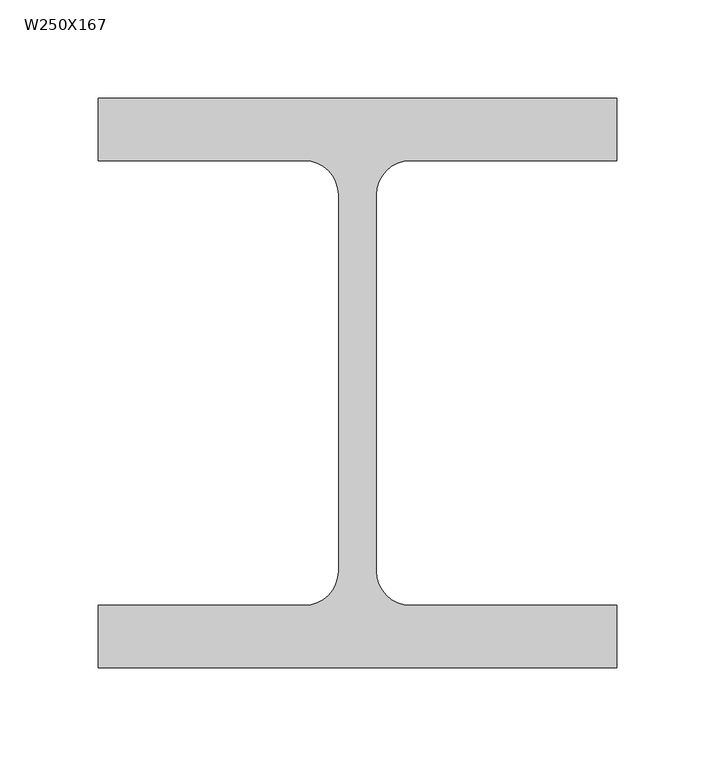
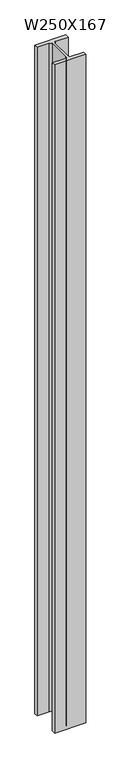
"""IFC4 building model written with IfcOpenShell, lengths in millimetres: column geometry, W250X167."""

import ifcopenshell
import ifcopenshell.guid

model = None  # the IFC model being written
_history = None  # IfcOwnerHistory: only IFC2X3 demands one
_inside = {}  # id of a spatial element -> (the spatial element, [elements in it])
_under = {}  # id of a project, library or spatial element -> (it, [spatial elements below it])
_declared = {}  # id of a project -> (the project, [libraries it declares])
_typed = {}  # id of a type object -> (the type object, [elements of that type])
_made_of = {}  # id of a material, layer set ... -> (it, [elements and type objects made of it])


def new_model(schema):
    """Start an empty IFC model of exactly this schema.

    Asked for "IFC4X3", IfcOpenShell would pick the latest addendum, in which some entities
    have other attributes; the version numbers below select the first issue.
    IFC2X3 requires an IfcOwnerHistory on every rooted entity: one is made here for all.
    """
    global model, _history
    if schema == "IFC4X3":
        model = ifcopenshell.file(schema_version=(4, 3, 0, 0))
    else:
        model = ifcopenshell.file(schema=schema)
    _inside.clear()
    _under.clear()
    _declared.clear()
    _typed.clear()
    _made_of.clear()
    _history = None
    if model.schema == "IFC2X3":
        org = make("IfcOrganization", Name="unknown")
        user = make(
            "IfcPersonAndOrganization",
            ThePerson=make("IfcPerson", FamilyName="unknown"),
            TheOrganization=org,
        )
        app = make(
            "IfcApplication",
            ApplicationDeveloper=org,
            Version="unknown",
            ApplicationFullName="unknown",
            ApplicationIdentifier="unknown",
        )
        _history = make(
            "IfcOwnerHistory",
            OwningUser=user,
            OwningApplication=app,
            ChangeAction="ADDED",
            CreationDate=0,
        )
    return model


def make(cls, **values):
    """One entity of the class cls with the attributes given. An attribute that is None is left unset."""
    return model.create_entity(
        cls, **{name: value for name, value in values.items() if value is not None}
    )


def rooted(cls, **values):
    """An entity with a GlobalId (a new one), such as an element, a storey or a relation."""
    return make(cls, GlobalId=ifcopenshell.guid.new(), OwnerHistory=_history, **values)


def si_unit(unit_type, name, prefix=None):
    """IfcSIUnit, for example si_unit("LENGTHUNIT", "METRE", prefix="MILLI")."""
    return make("IfcSIUnit", UnitType=unit_type, Prefix=prefix, Name=name)


def assignment(units):
    """IfcUnitAssignment: the units of a project."""
    return None if units is None else make("IfcUnitAssignment", Units=units)


def point(xyz):
    """IfcCartesianPoint."""
    return None if xyz is None else make("IfcCartesianPoint", Coordinates=xyz)


def direction(xyz):
    """IfcDirection."""
    return None if xyz is None else make("IfcDirection", DirectionRatios=xyz)


def frame(location, z_axis=None, x_axis=None):
    """IfcAxis2Placement3D, a coordinate frame: its origin and axes. An axis left out is left unset."""
    return make(
        "IfcAxis2Placement3D",
        Location=point(location),
        Axis=direction(z_axis),
        RefDirection=direction(x_axis),
    )


def frame_2d(location, x_axis=None):
    """IfcAxis2Placement2D, a coordinate frame in the plane: its origin and x axis."""
    return make(
        "IfcAxis2Placement2D", Location=point(location), RefDirection=direction(x_axis)
    )


def origin():
    """The frame at (0, 0, 0) with its axes left unset."""
    return frame((0.0, 0.0, 0.0))


def place(relative_to, where):
    """IfcLocalPlacement: puts the frame where relative to a parent placement (None: the world)."""
    return make(
        "IfcLocalPlacement", PlacementRelTo=relative_to, RelativePlacement=where
    )


def context(
    kind, dimensions, precision=None, world=None, true_north=None, identifier=None
):
    """IfcGeometricRepresentationContext, for example the 3D "Model" context."""
    return make(
        "IfcGeometricRepresentationContext",
        ContextIdentifier=identifier,
        ContextType=kind,
        CoordinateSpaceDimension=dimensions,
        Precision=precision,
        WorldCoordinateSystem=world,
        TrueNorth=true_north,
    )


def project(units=None, contexts=None):
    """IfcProject with its units and contexts."""
    return rooted(
        "IfcProject",
        Name="project",
        RepresentationContexts=contexts,
        UnitsInContext=assignment(units),
    )


def spatial(cls, under=None, at=None, **own):
    """A site, building, storey or space (cls), placed at a placement, below another one or the project."""
    s = rooted(cls, ObjectPlacement=at, **own)
    if under is not None:
        _under.setdefault(under.id(), (under, []))[1].append(s)
    return s


def polyline(points):
    """IfcPolyline through the points."""
    return make("IfcPolyline", Points=[point(p) for p in points])


def circle_curve(where, radius):
    """IfcCircle in the frame where."""
    return make("IfcCircle", Position=where, Radius=radius)


def trimmed(basis, trim1, trim2, sense, master):
    """IfcTrimmedCurve: the piece of a basis curve between two trims."""
    return make(
        "IfcTrimmedCurve",
        BasisCurve=basis,
        Trim1=trim1,
        Trim2=trim2,
        SenseAgreement=sense,
        MasterRepresentation=master,
    )


def segment(curve, same_sense, transition):
    """IfcCompositeCurveSegment."""
    return make(
        "IfcCompositeCurveSegment",
        Transition=transition,
        SameSense=same_sense,
        ParentCurve=curve,
    )


def composite_curve(segments, self_intersect=None):
    """IfcCompositeCurve: segments joined end to end."""
    return make("IfcCompositeCurve", Segments=segments, SelfIntersect=self_intersect)


def outline(outer, holes=None, kind="AREA"):
    """IfcArbitraryClosedProfileDef: a profile drawn as a closed curve; with holes, ...WithVoids."""
    if holes is None:
        return make("IfcArbitraryClosedProfileDef", ProfileType=kind, OuterCurve=outer)
    return make(
        "IfcArbitraryProfileDefWithVoids",
        ProfileType=kind,
        OuterCurve=outer,
        InnerCurves=holes,
    )


def extrude(swept, where, along, depth):
    """IfcExtrudedAreaSolid: the profile swept, set in the frame where, extruded along a direction by depth."""
    return make(
        "IfcExtrudedAreaSolid",
        SweptArea=swept,
        Position=where,
        ExtrudedDirection=direction(along),
        Depth=depth,
    )


def shape(context_of_items, identifier, shape_type, items):
    """IfcShapeRepresentation: the items that make up one representation, for example the "Body"."""
    return make(
        "IfcShapeRepresentation",
        ContextOfItems=context_of_items,
        RepresentationIdentifier=identifier,
        RepresentationType=shape_type,
        Items=items,
    )


def source(mapping_origin, context_of_items, identifier, shape_type, items):
    """IfcRepresentationMap: a shape defined once, which mapped items show again and again."""
    return make(
        "IfcRepresentationMap",
        MappingOrigin=mapping_origin,
        MappedRepresentation=shape(context_of_items, identifier, shape_type, items),
    )


def transform(
    local_origin,
    x_axis=None,
    y_axis=None,
    z_axis=None,
    scale=None,
    scale2=None,
    scale3=None,
    uniform=True,
):
    """IfcCartesianTransformationOperator3D, or its non-uniform kind. x_axis, y_axis, z_axis: its Axis1, 2, 3."""
    if uniform:
        return make(
            "IfcCartesianTransformationOperator3D",
            Axis1=direction(x_axis),
            Axis2=direction(y_axis),
            LocalOrigin=point(local_origin),
            Scale=scale,
            Axis3=direction(z_axis),
        )
    return make(
        "IfcCartesianTransformationOperator3DnonUniform",
        Axis1=direction(x_axis),
        Axis2=direction(y_axis),
        LocalOrigin=point(local_origin),
        Scale=scale,
        Axis3=direction(z_axis),
        Scale2=scale2,
        Scale3=scale3,
    )


def mapped(mapping_source, mapping_target):
    """IfcMappedItem: shows the shape of a source again, moved by a transform."""
    return make(
        "IfcMappedItem", MappingSource=mapping_source, MappingTarget=mapping_target
    )


def made_of(thing, what):
    """Note that an element or type object is made of a material, layer set ...; save() writes the relation."""
    if what is not None:
        _made_of.setdefault(what.id(), (what, []))[1].append(thing)
    return thing


def element(
    cls,
    number,
    at=None,
    inside=None,
    cuts=None,
    type_object=None,
    material=None,
    context=None,
    identifier="Body",
    shape_type=None,
    held_by="IfcProductDefinitionShape",
    body=None,
    shapes=None,
    **own,
):
    """One element of the class cls, such as IfcWall. Its Tag is "e" and its number.

    at: its placement. inside: the storey or other place that contains it. cuts: it is an
    opening in that element (IfcRelVoidsElement). A single representation is given by context,
    identifier, shape_type and body (its items); several are given by shapes. held_by: the class
    of the entity that holds the representations. save() writes the other relations.
    """
    e = rooted(cls, Tag="e%d" % number, ObjectPlacement=at, **own)
    if body is not None:
        shapes = [shape(context, identifier, shape_type, body)]
    if shapes is not None:
        e.Representation = make(held_by, Representations=shapes)
    if inside is not None:
        _inside.setdefault(inside.id(), (inside, []))[1].append(e)
    if cuts is not None:
        rooted(
            "IfcRelVoidsElement", RelatingBuildingElement=cuts, RelatedOpeningElement=e
        )
    if type_object is not None:
        _typed.setdefault(type_object.id(), (type_object, []))[1].append(e)
    return made_of(e, material)


def aggregate(whole, parts):
    """IfcRelAggregates: a whole, such as a stair, and the parts it consists of."""
    return rooted("IfcRelAggregates", RelatingObject=whole, RelatedObjects=parts)


def save(model, path):
    """Write the relations noted so far, then the file.

    IfcRelAggregates (storeys below a building ...), IfcRelContainedInSpatialStructure (elements
    in a storey), IfcRelDefinesByType, IfcRelAssociatesMaterial and IfcRelDeclares: one each for
    every whole, place, type object, material and project.
    """
    for whole, parts in _under.values():
        aggregate(whole, parts)
    for where, things in _inside.values():
        rooted(
            "IfcRelContainedInSpatialStructure",
            RelatedElements=things,
            RelatingStructure=where,
        )
    for kind, things in _typed.values():
        rooted("IfcRelDefinesByType", RelatedObjects=things, RelatingType=kind)
    for what, things in _made_of.values():
        rooted("IfcRelAssociatesMaterial", RelatedObjects=things, RelatingMaterial=what)
    for by, libraries in _declared.values():
        rooted("IfcRelDeclares", RelatingContext=by, RelatedDefinitions=libraries)
    model.write(path)


def w250x167_87b39909(model_context):
    return source(origin(), model_context, "Body", "SweptSolid", [
        extrude(outline(composite_curve([segment(polyline([(132.0, 145.0), (132.0, 113.2), (27.0, 113.2)]), True, "CONTINUOUS"), segment(trimmed(circle_curve(frame_2d((27.0, 95.8)), 17.4), [point((27.0, 113.2))], [point((9.6, 95.8))], True, "CARTESIAN"), True, "CONTINUOUS"), segment(polyline([(9.6, 95.8), (9.6, -95.8)]), True, "CONTINUOUS"), segment(trimmed(circle_curve(frame_2d((27.0, -95.8)), 17.4), [point((9.6, -95.8))], [point((27.0, -113.2))], True, "CARTESIAN"), True, "CONTINUOUS"), segment(polyline([(27.0, -113.2), (132.0, -113.2), (132.0, -145.0), (-132.0, -145.0), (-132.0, -113.2), (-27.0, -113.2)]), True, "CONTINUOUS"), segment(trimmed(circle_curve(frame_2d((-27.0, -95.8)), 17.4), [point((-27.0, -113.2))], [point((-9.6, -95.8))], True, "CARTESIAN"), True, "CONTINUOUS"), segment(polyline([(-9.6, -95.8), (-9.6, 95.8)]), True, "CONTINUOUS"), segment(trimmed(circle_curve(frame_2d((-27.0, 95.8)), 17.4), [point((-9.6, 95.8))], [point((-27.0, 113.2))], True, "CARTESIAN"), True, "CONTINUOUS"), segment(polyline([(-27.0, 113.2), (-132.0, 113.2), (-132.0, 145.0), (132.0, 145.0)]), True, "CONTINUOUS")], self_intersect=False)), frame((0.0, 0.0, -3000.0), z_axis=(0.0, 0.0, 1.0), x_axis=(1.0, 0.0, 0.0)), (0.0, 0.0, 1.0), 6000.0),
    ])


if __name__ == "__main__":
    model = new_model("IFC4")
    model_context = context("Model", 3, world=origin())
    ifc_project = project(units=[si_unit("LENGTHUNIT", "METRE", prefix="MILLI")], contexts=[model_context])
    site = spatial("IfcSite", under=ifc_project)
    building = spatial("IfcBuilding", under=site)
    placement = place(None, origin())
    w250x167_shape = w250x167_87b39909(model_context)
    element("IfcColumn", 1, ObjectType="W250X167", at=placement, inside=building, context=model_context, shape_type="MappedRepresentation", body=[
        mapped(w250x167_shape, transform((0.0, 0.0, 0.0), x_axis=(1.0, 0.0, 0.0), y_axis=(0.0, 1.0, 0.0), z_axis=(0.0, 0.0, 1.0))),
    ])
    save(model, "model.ifc")
